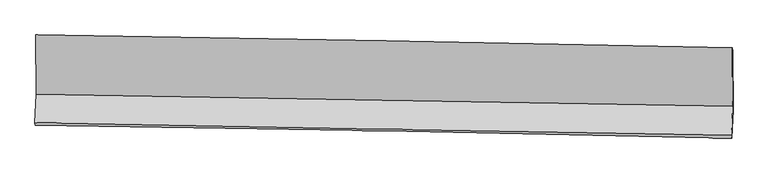
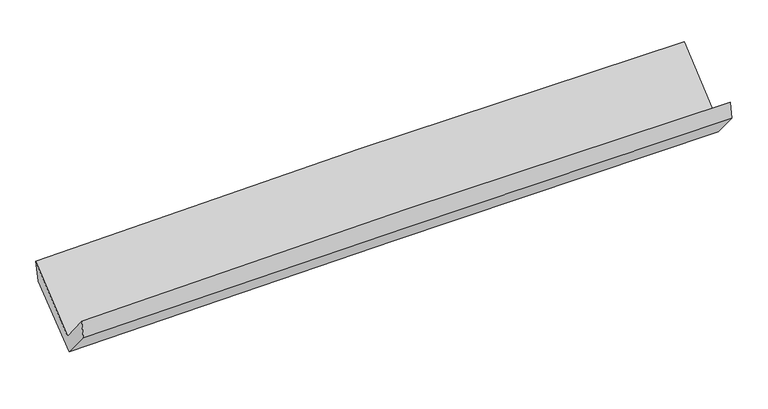
"""IFC4 building model written with IfcOpenShell, lengths in millimetres: proxy geometry."""

from ifc_helpers import new_model, si_unit, frame, origin, place, context, project, spatial, source, transform, mapped, element, save
from ifc_brep_helpers import plane_surface, spline_curve, spline_surface, advanced_brep


def generic_models_20ef10ac(model_context):
    return source(origin(), model_context, "Body", "AdvancedBrep", [
        advanced_brep(
        [(-3028.5598597, -1159.3739389, 2156.6919588), (-3025.2840535, -1674.6118587, 1722.8352113), (3017.0649532, -1776.0038444, 1855.886136), (3013.5409865, -1270.9197413, 2293.9894684), (-3036.201813, -1920.8881498, 2026.2941477), (3006.047788, -2030.8353093, 2158.4347181), (-3032.7749659, -1941.3007438, 1874.1872303), (3009.3574598, -2053.8012859, 2009.6369333), (-3022.1560316, -1695.3177911, 1582.7857559), (3019.69773, -1814.2734659, 1725.8824734), (-3024.7080887, -1192.0588326, 1980.0557895), (3017.0844789, -1301.845684, 2130.9917946)],
        [
            (0, 1),
            (1, 2, spline_curve(3, [(-3025.2840535, -1674.6118587, 1722.8352113), (-2018.388439381, -1692.486011222, 1751.683440755), (-1011.418739381, -1709.872305656, 1777.195022054), (1002.697591715, -1743.669662139, 1821.545521031), (2009.844227364, -1760.080696068, 1840.384248109), (3017.0649532, -1776.0038444, 1855.886136)], [4, 2, 4], [0.0, 9.915872534418904, 19.832028252020432])),
            (2, 3),
            (3, 0, spline_curve(3, [(3013.5409865, -1270.9197413, 2293.9894684), (2006.099491671, -1249.680209697, 2290.615128197), (998.863153863, -1229.764846708, 2277.486195957), (-1015.17044991, -1192.582988015, 2231.719802545), (-2021.96772747, -1175.316416982, 2199.08289793), (-3028.5598597, -1159.3739389, 2156.6919588)], [4, 2, 4], [0.0, 9.916155717601528, 19.832028252020432])),
            (1, 4),
            (4, 5, spline_curve(3, [(-3036.201813, -1920.8881498, 2026.2941477), (-2029.609768899, -1941.161246131, 2066.168786849), (-1022.800139636, -1960.459940274, 2097.117790791), (991.283048098, -1997.109049441, 2141.165157365), (1998.556619378, -2014.45940798, 2154.263010172), (3006.047788, -2030.8353093, 2158.4347181)], [4, 2, 4], [0.0, 9.915853816798421, 19.831990816244918])),
            (5, 2),
            (4, 6),
            (6, 7, spline_curve(3, [(-3032.7749659, -1941.3007438, 1874.1872303), (-2025.757686443, -1955.793190725, 1900.024578745), (-1018.745200936, -1972.414295023, 1924.230589991), (995.29894144, -2009.914354443, 1969.38058451), (2002.330597485, -2030.793430516, 1990.324473945), (3009.3574598, -2053.8012859, 2009.6369333)], [4, 2, 4], [0.0, 9.915834724315802, 19.831952630734424])),
            (7, 5),
            (6, 8),
            (8, 9, spline_curve(3, [(-3022.1560316, -1695.3177911, 1582.7857559), (-2015.23091797, -1711.945222339, 1611.15229422), (-1008.287737438, -1730.171746577, 1637.260151778), (1005.663515216, -1769.823546814, 1684.959186521), (2012.671588622, -1791.24891434, 1706.550234894), (3019.69773, -1814.2734659, 1725.8824734)], [4, 2, 4], [0.0, 9.91575646567888, 19.831796111225625])),
            (9, 7),
            (8, 10),
            (10, 11, spline_curve(3, [(-3024.7080887, -1192.0588326, 1980.0557895), (-2017.826971706, -1201.474356658, 2014.419185958), (-1010.910888978, -1215.330828598, 2044.178770604), (1003.019964665, -1251.92619235, 2094.491035009), (2010.03473794, -1274.665337129, 2115.043452057), (3017.0844789, -1301.845684, 2130.9917946)], [4, 2, 4], [0.0, 9.915814931575037, 19.831913044687642])),
            (11, 9),
            (10, 0),
            (3, 11),
        ],
        [
            spline_surface(3, 3, [[(-3028.5598597, -1159.3739389, 2156.6919588), (-2021.967727309, -1175.316417054, 2199.082897839), (-1015.170449857, -1192.58298811, 2231.719802423), (998.863153811, -1229.764846612, 2277.486196079), (2006.099491788, -1249.680209693, 2290.615128044), (3013.5409865, -1270.9197413, 2293.9894684)], [(-3027.467924311, -1331.119912141, 2012.073042959), (-2020.774631353, -1347.706281704, 2049.949745524), (-1013.919879741, -1365.012760653, 2080.211542322), (1000.141299824, -1401.066451798, 2125.505971039), (2007.347737043, -1419.813705131, 2140.538168034), (3014.715642094, -1439.281108975, 2147.95502429)], [(-3026.375988889, -1502.865885459, 1867.454127141), (-2019.581535362, -1520.096146432, 1900.816593233), (-1012.669309628, -1537.442533139, 1928.703282224), (1001.419445834, -1572.368056927, 1973.525746002), (2008.595982215, -1589.947200644, 1990.461207954), (3015.890297606, -1607.642476725, 2001.92058011)], [(-3025.2840535, -1674.6118587, 1722.8352113), (-2018.388439406, -1692.486011082, 1751.683440918), (-1011.418739513, -1709.872305682, 1777.195022123), (1002.697591847, -1743.669662113, 1821.545520962), (2009.844227471, -1760.080696082, 1840.384247944), (3017.0649532, -1776.0038444, 1855.886136)]], [4, 4], [4, 2, 4], [0.0, 2.256615789262376], [0.0, 9.915872534418904, 19.832028252020432]),
            spline_surface(3, 3, [[(-3025.2840535, -1674.6118587, 1722.8352113), (-2018.388439406, -1692.486011082, 1751.683440918), (-1011.418739513, -1709.872305682, 1777.195022123), (1002.697591847, -1743.669662113, 1821.545520962), (2009.844227471, -1760.080696082, 1840.384247944), (3017.0649532, -1776.0038444, 1855.886136)], [(-3028.923306659, -1756.703955732, 1823.988190109), (-2022.128882571, -1775.37775605, 1856.511889552), (-1015.212539594, -1793.401517259, 1883.835945012), (998.892743953, -1828.149457829, 1928.08539978), (2006.081691412, -1844.873600064, 1945.010502026), (3013.392564798, -1860.947666059, 1956.735663366)], [(-3032.562559841, -1838.796052768, 1925.141168891), (-2025.869325758, -1858.269501021, 1961.340338158), (-1019.006339648, -1876.930728857, 1990.476867875), (995.087896085, -1912.629253566, 2034.625278573), (2002.319155359, -1929.66650397, 2049.636756111), (3009.720176402, -1945.891487641, 2057.585190734)], [(-3036.201813, -1920.8881498, 2026.2941477), (-2029.609768923, -1941.161245989, 2066.168786792), (-1022.80013973, -1960.459940434, 2097.117790764), (991.283048191, -1997.109049282, 2141.165157392), (1998.5566193, -2014.459407953, 2154.263010193), (3006.047788, -2030.8353093, 2158.4347181)]], [4, 4], [4, 2, 4], [0.0, 1.3362904116494865], [0.0, 9.915853816798421, 19.831990816244918]),
            spline_surface(3, 3, [[(-3036.201813, -1920.8881498, 2026.2941477), (-2029.609768923, -1941.161245989, 2066.168786792), (-1022.80013973, -1960.459940434, 2097.117790764), (991.283048191, -1997.109049282, 2141.165157392), (1998.5566193, -2014.459407953, 2154.263010193), (3006.047788, -2030.8353093, 2158.4347181)], [(-3035.059530644, -1927.692347821, 1975.591841888), (-2028.325741439, -1946.038560935, 2010.787384068), (-1021.448493447, -1964.444725353, 2039.488723903), (992.621679227, -2001.377484291, 2083.903633054), (1999.814612056, -2019.90408216, 2099.616831394), (3007.151011913, -2038.490634833, 2108.835456493)], [(-3033.917248256, -1934.496545779, 1924.889536112), (-2027.041713923, -1950.915875818, 1955.40598138), (-1020.096847121, -1968.429510255, 1981.859657013), (993.960310306, -2005.645919284, 2026.642108687), (2001.072604873, -2025.348756369, 2044.970652615), (3008.254235887, -2046.145960367, 2059.236194907)], [(-3032.7749659, -1941.3007438, 1874.1872303), (-2025.757686439, -1955.793190764, 1900.024578656), (-1018.745200838, -1972.414295174, 1924.230590152), (995.298941342, -2009.914354293, 1969.380584349), (2002.330597629, -2030.793430576, 1990.324473817), (3009.3574598, -2053.8012859, 2009.6369333)]], [4, 4], [4, 2, 4], [0.0, 0.567017959408545], [0.0, 9.915834724315802, 19.831952630734424]),
            spline_surface(3, 3, [[(-3032.7749659, -1941.3007438, 1874.1872303), (-2025.757686439, -1955.793190764, 1900.024578656), (-1018.745200838, -1972.414295174, 1924.230590152), (995.298941342, -2009.914354293, 1969.380584349), (2002.330597629, -2030.793430576, 1990.324473817), (3009.3574598, -2053.8012859, 2009.6369333)], [(-3029.235321123, -1859.306426221, 1777.053405525), (-2022.248763653, -1874.510534636, 1803.733817167), (-1015.259379717, -1891.666778973, 1828.573777323), (998.753799345, -1929.884085137, 1874.573451728), (2005.777594614, -1950.945258456, 1895.733060798), (3012.804216529, -1973.958679209, 1915.052113316)], [(-3025.695676377, -1777.312108679, 1679.919580675), (-2018.739840899, -1793.227878547, 1707.443055602), (-1011.773558645, -1810.919262769, 1732.916964567), (1002.208657299, -1849.853815979, 1779.76631918), (2009.224591613, -1871.09708641, 1801.141647832), (3016.250973271, -1894.116072591, 1820.467293384)], [(-3022.1560316, -1695.3177911, 1582.7857559), (-2015.230918113, -1711.945222419, 1611.152294112), (-1008.287737524, -1730.171746568, 1637.260151739), (1005.663515302, -1769.823546823, 1684.95918656), (2012.671588598, -1791.24891429, 1706.550234814), (3019.69773, -1814.2734659, 1725.8824734)]], [4, 4], [4, 2, 4], [0.0, 1.2271037616950944], [0.0, 9.91575646567888, 19.831796111225625]),
            spline_surface(3, 3, [[(-3022.1560316, -1695.3177911, 1582.7857559), (-2015.230918113, -1711.945222419, 1611.152294112), (-1008.287737524, -1730.171746568, 1637.260151739), (1005.663515302, -1769.823546823, 1684.95918656), (2012.671588598, -1791.24891429, 1706.550234814), (3019.69773, -1814.2734659, 1725.8824734)], [(-3023.006717308, -1527.564804951, 1715.209100408), (-2016.096269324, -1541.788267129, 1745.574591318), (-1009.162121375, -1558.558107279, 1772.899691339), (1004.782331798, -1597.191095268, 1821.469802778), (2011.792638405, -1619.054388578, 1842.714640607), (3018.826646302, -1643.464205278, 1860.918913813)], [(-3023.857402992, -1359.811818749, 1847.632444992), (-2016.961620512, -1371.631311786, 1879.996888602), (-1010.036505241, -1386.944468034, 1908.539230868), (1003.901148281, -1424.558643759, 1957.980418925), (2010.913688206, -1446.859862832, 1978.879046361), (3017.955562598, -1472.654944622, 1995.955354187)], [(-3024.7080887, -1192.0588326, 1980.0557895), (-2017.826971723, -1201.474356496, 2014.419185808), (-1010.910889092, -1215.330828744, 2044.178770469), (1003.019964778, -1251.926192204, 2094.491035144), (2010.034738013, -1274.66533712, 2115.043452154), (3017.0844789, -1301.845684, 2130.9917946)]], [4, 4], [4, 2, 4], [0.0, 2.159610054583682], [0.0, 9.915814931575037, 19.831913044687642]),
            spline_surface(3, 3, [[(-3024.7080887, -1192.0588326, 1980.0557895), (-2017.826971723, -1201.474356496, 2014.419185808), (-1010.910889092, -1215.330828744, 2044.178770469), (1003.019964778, -1251.926192204, 2094.491035144), (2010.034738013, -1274.66533712, 2115.043452154), (3017.0844789, -1301.845684, 2130.9917946)], [(-3025.992012355, -1181.163868034, 2038.934512611), (-2019.207223573, -1192.755043349, 2075.973756496), (-1012.330742679, -1207.748215196, 2106.69244777), (1001.634361124, -1244.539077004, 2155.489422105), (2008.722989268, -1266.336961325, 2173.567344106), (3015.903314763, -1291.537036447, 2185.324352522)], [(-3027.275936045, -1170.268903466, 2097.813235689), (-2020.587475458, -1184.0357302, 2137.528327151), (-1013.75059627, -1200.165601658, 2169.206125122), (1000.248757465, -1237.151961813, 2216.487809118), (2007.411240533, -1258.008585488, 2232.091236092), (3014.722150637, -1281.228388853, 2239.656910478)], [(-3028.5598597, -1159.3739389, 2156.6919588), (-2021.967727309, -1175.316417054, 2199.082897839), (-1015.170449857, -1192.58298811, 2231.719802423), (998.863153811, -1229.764846612, 2277.486196079), (2006.099491788, -1249.680209693, 2290.615128044), (3013.5409865, -1270.9197413, 2293.9894684)]], [4, 4], [4, 2, 4], [0.0, 0.6124385291011194], [0.0, 9.91596080455627, 19.832204794816032]),
            plane_surface(frame((3013.7988994, -1707.9465551, 2029.1369206), z_axis=(0.9996005436131028, -0.01421407643318578, 0.02442771457875608), x_axis=(-0.004000538780430048, 0.7844585688672094, 0.6201683234576528))),
            plane_surface(frame((-3028.2808021, -1597.2585525, 1890.4750156), z_axis=(-0.9996005436132892, 0.0142140764297306, -0.02442771457313278), x_axis=(0.0214373115115301, -0.18191015360242574, -0.9830814501817738))),
        ],
        [
            (0, [[1, 2, 3, 4]]),
            (1, [[5, 6, 7, -2]]),
            (2, [[8, 9, 10, -6]]),
            (3, [[11, 12, 13, -9]]),
            (4, [[14, 15, 16, -12]]),
            (5, [[17, -4, 18, -15]]),
            (6, [[-16, -18, -3, -7, -10, -13]]),
            (7, [[-17, -14, -11, -8, -5, -1]]),
        ],
    ),
    ])


if __name__ == "__main__":
    model = new_model("IFC4")
    model_context = context("Model", 3, world=origin())
    ifc_project = project(units=[si_unit("LENGTHUNIT", "METRE", prefix="MILLI")], contexts=[model_context])
    site = spatial("IfcSite", under=ifc_project)
    building = spatial("IfcBuilding", under=site)
    placement = place(None, origin())
    generic_models_shape = generic_models_20ef10ac(model_context)
    element("IfcBuildingElementProxy", 1, Name="Generic Models", at=placement, inside=building, context=model_context, shape_type="MappedRepresentation", body=[
        mapped(generic_models_shape, transform((0.0, 0.0, 0.0), x_axis=(1.0, 0.0, 0.0), y_axis=(0.0, 1.0, 0.0), z_axis=(0.0, 0.0, 1.0))),
    ])
    save(model, "model.ifc")
